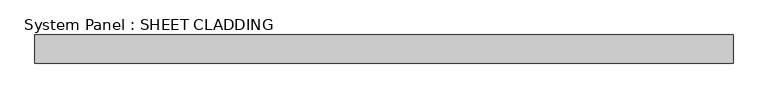
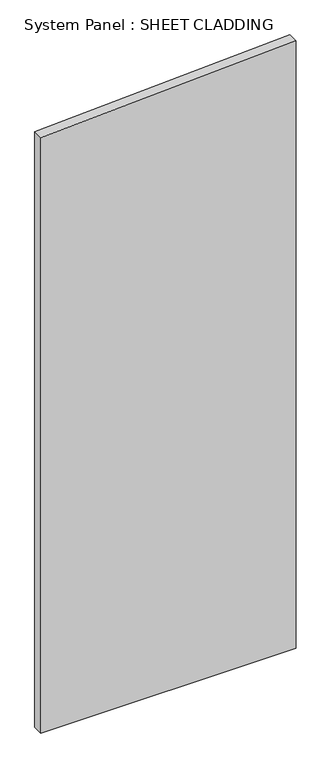
"""IFC4 building model written with IfcOpenShell, lengths in millimetres: plate geometry, System Panel : SHEET CLADDING."""

from ifc_helpers import new_model, si_unit, frame, origin, place, context, project, spatial, polyline, outline, extrude, source, transform, mapped, element, save


def system_panel_sheet_cladding_807c6215(model_context):
    return source(origin(), model_context, "Body", "SweptSolid", [
        extrude(outline(polyline([(0.0, -735.4591837), (0.0, 735.4591837), (3697.0132653, 735.4591837), (3623.4673469, -735.4591837), (0.0, -735.4591837)])), frame((0.0, -10.5, 0.0), z_axis=(0.0, 1.0, 0.0), x_axis=(0.0, 0.0, 1.0)), (0.0, 0.0, 1.0), 60.0),
    ])


if __name__ == "__main__":
    model = new_model("IFC4")
    model_context = context("Model", 3, world=origin())
    ifc_project = project(units=[si_unit("LENGTHUNIT", "METRE", prefix="MILLI")], contexts=[model_context])
    site = spatial("IfcSite", under=ifc_project)
    building = spatial("IfcBuilding", under=site)
    placement = place(None, origin())
    system_panel_sheet_cladding_shape = system_panel_sheet_cladding_807c6215(model_context)
    element("IfcPlate", 1, ObjectType="System Panel : SHEET CLADDING", at=placement, inside=building, context=model_context, shape_type="MappedRepresentation", body=[
        mapped(system_panel_sheet_cladding_shape, transform((0.0, 0.0, 0.0), x_axis=(1.0, 0.0, 0.0), y_axis=(0.0, 1.0, 0.0), z_axis=(0.0, 0.0, 1.0))),
    ])
    save(model, "model.ifc")
